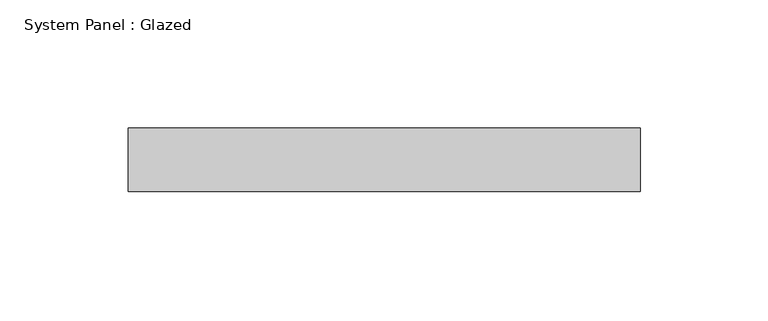
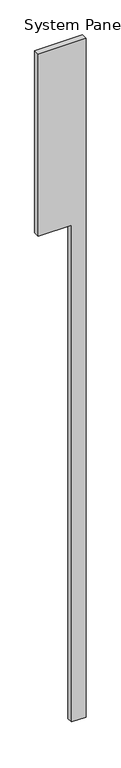
"""IFC4 building model written with IfcOpenShell, lengths in millimetres: plate geometry, System Panel : Glazed."""

from ifc_helpers import new_model, si_unit, frame, origin, place, context, project, spatial, polyline, outline, extrude, source, transform, mapped, element, save


def system_panel_glazed_a2fc3fa2(model_context):
    return source(origin(), model_context, "Body", "SweptSolid", [
        extrude(outline(polyline([(0.0, 39.9999997), (0.0, 100.0), (3000.0, 100.0), (3000.0, -100.0), (2196.1524227, -100.0), (2196.1524227, 39.9999997), (0.0, 39.9999997)])), frame((0.0, 24.5, 0.0), z_axis=(0.0, 1.0, 0.0), x_axis=(0.0, 0.0, 1.0)), (0.0, 0.0, 1.0), 25.0),
    ])


if __name__ == "__main__":
    model = new_model("IFC4")
    model_context = context("Model", 3, world=origin())
    ifc_project = project(units=[si_unit("LENGTHUNIT", "METRE", prefix="MILLI")], contexts=[model_context])
    site = spatial("IfcSite", under=ifc_project)
    building = spatial("IfcBuilding", under=site)
    placement = place(None, origin())
    system_panel_glazed_shape = system_panel_glazed_a2fc3fa2(model_context)
    element("IfcPlate", 1, ObjectType="System Panel : Glazed", at=placement, inside=building, context=model_context, shape_type="MappedRepresentation", body=[
        mapped(system_panel_glazed_shape, transform((0.0, 0.0, 0.0), x_axis=(1.0, 0.0, 0.0), y_axis=(0.0, 1.0, 0.0), z_axis=(0.0, 0.0, 1.0))),
    ])
    save(model, "model.ifc")
